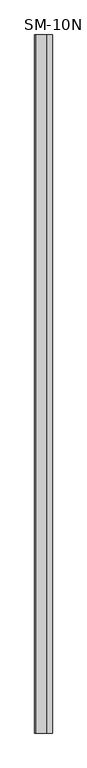
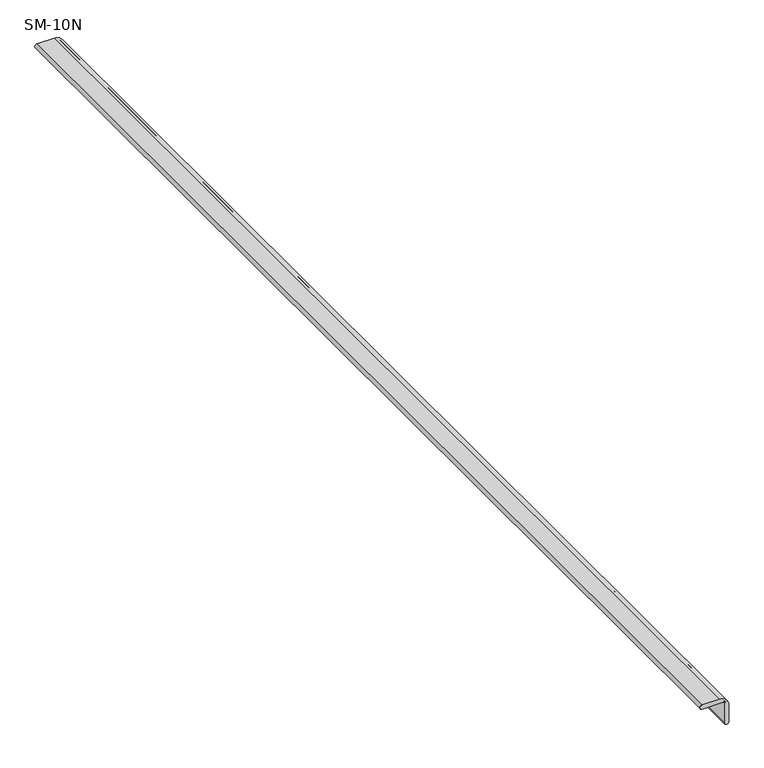
"""IFC4 building model written with IfcOpenShell, lengths in millimetres: proxy geometry, SM-10N."""

from ifc_helpers import new_model, si_unit, point, frame, frame_2d, origin, place, context, project, spatial, polyline, circle_curve, trimmed, segment, composite_curve, outline, extrude, source, transform, mapped, element, save


def sm_10n_8a5bda0e(model_context):
    return source(origin(), model_context, "Body", "SweptSolid", [
        extrude(outline(composite_curve([segment(trimmed(circle_curve(frame_2d((6.4237148, -57.3606141)), 6.2131012), [point((12.6368159, -57.3606141))], [point((0.2106136, -57.3606141))], False, "CARTESIAN"), True, "CONTINUOUS"), segment(polyline([(0.2106136, -57.3606141), (0.2106136, -3.1017575)]), True, "CONTINUOUS"), segment(trimmed(circle_curve(frame_2d((-0.358042, -0.3159209)), 2.8432824), [point((0.2106136, -3.1017575))], [point((-3.1438783, 0.2527363))], True, "CARTESIAN"), True, "CONTINUOUS"), segment(polyline([(-3.1438783, 0.2527363), (-57.3290216, 0.2527363)]), True, "CONTINUOUS"), segment(trimmed(circle_curve(frame_2d((-57.3395527, 6.4658375)), 6.2131101), [point((-57.3290216, 0.2527363))], [point((-56.6172218, 12.6368159))], False, "CARTESIAN"), True, "CONTINUOUS"), segment(polyline([(-56.6172218, 12.6368159), (-14.1169731, 12.6368159)]), True, "CONTINUOUS"), segment(trimmed(circle_curve(frame_2d((-12.6578723, -12.6157544)), 25.2946888), [point((-14.1169731, 12.6368159))], [point((12.6368159, -12.6212712))], False, "CARTESIAN"), True, "CONTINUOUS"), segment(polyline([(12.6368159, -12.6212712), (12.6368159, -57.3606141)]), True, "CONTINUOUS")], self_intersect=False)), frame((0.0, -1141.4125, 0.0), z_axis=(0.0, 1.0, 0.0), x_axis=(0.0, 0.0, 1.0)), (0.0, 0.0, 1.0), 3021.0125),
    ])


if __name__ == "__main__":
    model = new_model("IFC4")
    model_context = context("Model", 3, world=origin())
    ifc_project = project(units=[si_unit("LENGTHUNIT", "METRE", prefix="MILLI")], contexts=[model_context])
    site = spatial("IfcSite", under=ifc_project)
    building = spatial("IfcBuilding", under=site)
    placement = place(None, origin())
    sm_10n_shape = sm_10n_8a5bda0e(model_context)
    element("IfcBuildingElementProxy", 1, Name="SM-10N", ObjectType="SM-10N", at=placement, inside=building, context=model_context, shape_type="MappedRepresentation", body=[
        mapped(sm_10n_shape, transform((0.0, 0.0, 0.0), x_axis=(1.0, 0.0, 0.0), y_axis=(0.0, 1.0, 0.0), z_axis=(0.0, 0.0, 1.0))),
    ])
    save(model, "model.ifc")
